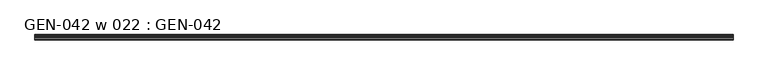
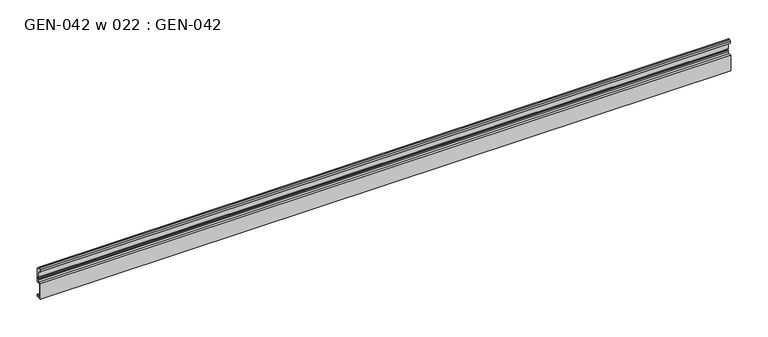
"""IFC4 building model written with IfcOpenShell, lengths in millimetres: proxy geometry, GEN-042 w 022 : GEN-042."""

from ifc_helpers import new_model, si_unit, point, frame, frame_2d, origin, place, context, project, spatial, polyline, circle_curve, trimmed, segment, composite_curve, outline, extrude, source, transform, mapped, element, save


def gen_042_w_022_gen_042_bfa7fc05(model_context):
    return source(origin(), model_context, "Body", "SweptSolid", [
        extrude(outline(composite_curve([segment(polyline([(0.0, 0.0), (-7.9375, 0.0), (-7.9375, 25.4040844), (-3.175, 25.4040844)]), True, "CONTINUOUS"), segment(trimmed(circle_curve(frame_2d((-3.175, 26.9915844)), 1.5875), [point((-3.175, 25.4040844))], [point((-1.5875, 26.9915844))], True, "CARTESIAN"), True, "CONTINUOUS"), segment(polyline([(-1.5875, 26.9915844), (-1.5875, 29.3702129), (-1.0783361, 30.2876325), (-1.0783361, 31.6277933), (-1.5875, 32.5452129), (-1.5875, 43.7328249)]), True, "CONTINUOUS"), segment(trimmed(circle_curve(frame_2d((-2.0955, 43.7328249)), 0.508), [point((-1.5875, 43.7328249))], [point((-2.1123834, 44.2405443))], True, "CARTESIAN"), True, "CONTINUOUS"), segment(trimmed(circle_curve(frame_2d((-2.1330622, 43.4788249)), 0.762), [point((-2.1123834, 44.2405443))], [point((-2.8720827, 43.293103))], True, "CARTESIAN"), True, "CONTINUOUS"), segment(trimmed(circle_curve(frame_2d((-3.4254762, 43.1540307)), 0.5706009), [point((-2.8720827, 43.293103))], [point((-3.6135887, 42.6153294))], False, "CARTESIAN"), True, "CONTINUOUS"), segment(polyline([(-3.6135887, 42.6153294), (-5.4099313, 43.1759885)]), True, "CONTINUOUS"), segment(trimmed(circle_curve(frame_2d((-4.5018192, 46.0855651)), 3.048), [point((-5.4099313, 43.1759885))], [point((-7.1037699, 47.6730651))], False, "CARTESIAN"), True, "CONTINUOUS"), segment(trimmed(circle_curve(frame_2d((-4.5018192, 46.0855651)), 3.048), [point((-7.1037699, 47.6730651))], [point((-5.4099313, 48.9951418))], False, "CARTESIAN"), True, "CONTINUOUS"), segment(polyline([(-5.4099313, 48.9951418), (-3.5749842, 49.5678497)]), True, "CONTINUOUS"), segment(trimmed(circle_curve(frame_2d((-3.3646912, 49.1479351)), 0.4696291), [point((-3.5749842, 49.5678497))], [point((-2.8950622, 49.1479351))], False, "CARTESIAN"), True, "CONTINUOUS"), segment(polyline([(-2.8950622, 49.1479351), (-2.8950622, 47.6063249)]), True, "CONTINUOUS"), segment(trimmed(circle_curve(frame_2d((-1.3075622, 47.6063249)), 1.5875), [point((-2.8950622, 47.6063249))], [point((-1.3075622, 46.0188249))], True, "CARTESIAN"), True, "CONTINUOUS"), segment(polyline([(-1.3075622, 46.0188249), (0.0, 46.0188249), (0.0, 25.3813249)]), True, "CONTINUOUS"), segment(trimmed(circle_curve(frame_2d((-1.5875, 25.3813249)), 1.5875), [point((0.0, 25.3813249))], [point((-1.5875, 23.7938249))], False, "CARTESIAN"), True, "CONTINUOUS"), segment(polyline([(-1.5875, 23.7938249), (-6.35, 23.7938249), (-6.35, 1.5875), (-1.5875, 1.5875), (-1.5875, 3.175), (0.0, 3.175), (0.0, 0.0)]), True, "CONTINUOUS")], self_intersect=False)), frame((0.0, 0.0, 0.0), z_axis=(1.0, 0.0, 0.0), x_axis=(0.0, 1.0, 0.0)), (0.0, 0.0, 1.0), 1063.625),
    ])


if __name__ == "__main__":
    model = new_model("IFC4")
    model_context = context("Model", 3, world=origin())
    ifc_project = project(units=[si_unit("LENGTHUNIT", "METRE", prefix="MILLI")], contexts=[model_context])
    site = spatial("IfcSite", under=ifc_project)
    building = spatial("IfcBuilding", under=site)
    placement = place(None, origin())
    gen_042_w_022_gen_042_shape = gen_042_w_022_gen_042_bfa7fc05(model_context)
    element("IfcBuildingElementProxy", 1, Name="GEN-042 w 022 : GEN-042", ObjectType="GEN-042 w 022 : GEN-042", at=placement, inside=building, context=model_context, shape_type="MappedRepresentation", body=[
        mapped(gen_042_w_022_gen_042_shape, transform((0.0, 0.0, 0.0), x_axis=(1.0, 0.0, 0.0), y_axis=(0.0, 1.0, 0.0), z_axis=(0.0, 0.0, 1.0))),
    ])
    save(model, "model.ifc")
